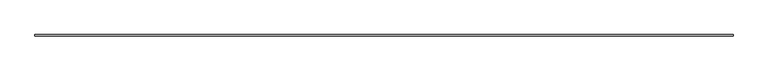
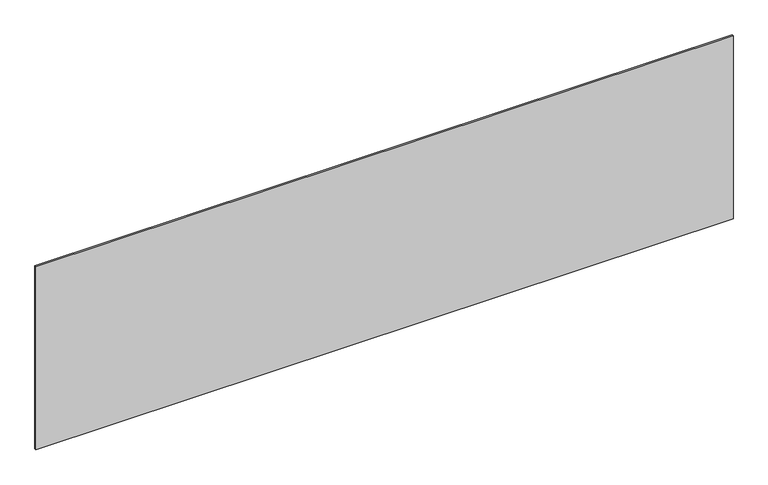
"""IFC4 building model written with IfcOpenShell, lengths in millimetres: plate geometry."""

import ifcopenshell
import ifcopenshell.guid

model = None  # the IFC model being written
_history = None  # IfcOwnerHistory: only IFC2X3 demands one
_inside = {}  # id of a spatial element -> (the spatial element, [elements in it])
_under = {}  # id of a project, library or spatial element -> (it, [spatial elements below it])
_declared = {}  # id of a project -> (the project, [libraries it declares])
_typed = {}  # id of a type object -> (the type object, [elements of that type])
_made_of = {}  # id of a material, layer set ... -> (it, [elements and type objects made of it])


def new_model(schema):
    """Start an empty IFC model of exactly this schema.

    Asked for "IFC4X3", IfcOpenShell would pick the latest addendum, in which some entities
    have other attributes; the version numbers below select the first issue.
    IFC2X3 requires an IfcOwnerHistory on every rooted entity: one is made here for all.
    """
    global model, _history
    if schema == "IFC4X3":
        model = ifcopenshell.file(schema_version=(4, 3, 0, 0))
    else:
        model = ifcopenshell.file(schema=schema)
    _inside.clear()
    _under.clear()
    _declared.clear()
    _typed.clear()
    _made_of.clear()
    _history = None
    if model.schema == "IFC2X3":
        org = make("IfcOrganization", Name="unknown")
        user = make(
            "IfcPersonAndOrganization",
            ThePerson=make("IfcPerson", FamilyName="unknown"),
            TheOrganization=org,
        )
        app = make(
            "IfcApplication",
            ApplicationDeveloper=org,
            Version="unknown",
            ApplicationFullName="unknown",
            ApplicationIdentifier="unknown",
        )
        _history = make(
            "IfcOwnerHistory",
            OwningUser=user,
            OwningApplication=app,
            ChangeAction="ADDED",
            CreationDate=0,
        )
    return model


def make(cls, **values):
    """One entity of the class cls with the attributes given. An attribute that is None is left unset."""
    return model.create_entity(
        cls, **{name: value for name, value in values.items() if value is not None}
    )


def rooted(cls, **values):
    """An entity with a GlobalId (a new one), such as an element, a storey or a relation."""
    return make(cls, GlobalId=ifcopenshell.guid.new(), OwnerHistory=_history, **values)


def si_unit(unit_type, name, prefix=None):
    """IfcSIUnit, for example si_unit("LENGTHUNIT", "METRE", prefix="MILLI")."""
    return make("IfcSIUnit", UnitType=unit_type, Prefix=prefix, Name=name)


def assignment(units):
    """IfcUnitAssignment: the units of a project."""
    return None if units is None else make("IfcUnitAssignment", Units=units)


def point(xyz):
    """IfcCartesianPoint."""
    return None if xyz is None else make("IfcCartesianPoint", Coordinates=xyz)


def direction(xyz):
    """IfcDirection."""
    return None if xyz is None else make("IfcDirection", DirectionRatios=xyz)


def frame(location, z_axis=None, x_axis=None):
    """IfcAxis2Placement3D, a coordinate frame: its origin and axes. An axis left out is left unset."""
    return make(
        "IfcAxis2Placement3D",
        Location=point(location),
        Axis=direction(z_axis),
        RefDirection=direction(x_axis),
    )


def origin():
    """The frame at (0, 0, 0) with its axes left unset."""
    return frame((0.0, 0.0, 0.0))


def origin_with_axes():
    """The frame at (0, 0, 0) with the z axis (0, 0, 1) and the x axis (1, 0, 0) written out."""
    return frame((0.0, 0.0, 0.0), z_axis=(0.0, 0.0, 1.0), x_axis=(1.0, 0.0, 0.0))


def place(relative_to, where):
    """IfcLocalPlacement: puts the frame where relative to a parent placement (None: the world)."""
    return make(
        "IfcLocalPlacement", PlacementRelTo=relative_to, RelativePlacement=where
    )


def context(
    kind, dimensions, precision=None, world=None, true_north=None, identifier=None
):
    """IfcGeometricRepresentationContext, for example the 3D "Model" context."""
    return make(
        "IfcGeometricRepresentationContext",
        ContextIdentifier=identifier,
        ContextType=kind,
        CoordinateSpaceDimension=dimensions,
        Precision=precision,
        WorldCoordinateSystem=world,
        TrueNorth=true_north,
    )


def project(units=None, contexts=None):
    """IfcProject with its units and contexts."""
    return rooted(
        "IfcProject",
        Name="project",
        RepresentationContexts=contexts,
        UnitsInContext=assignment(units),
    )


def spatial(cls, under=None, at=None, **own):
    """A site, building, storey or space (cls), placed at a placement, below another one or the project."""
    s = rooted(cls, ObjectPlacement=at, **own)
    if under is not None:
        _under.setdefault(under.id(), (under, []))[1].append(s)
    return s


def polyline(points):
    """IfcPolyline through the points."""
    return make("IfcPolyline", Points=[point(p) for p in points])


def outline(outer, holes=None, kind="AREA"):
    """IfcArbitraryClosedProfileDef: a profile drawn as a closed curve; with holes, ...WithVoids."""
    if holes is None:
        return make("IfcArbitraryClosedProfileDef", ProfileType=kind, OuterCurve=outer)
    return make(
        "IfcArbitraryProfileDefWithVoids",
        ProfileType=kind,
        OuterCurve=outer,
        InnerCurves=holes,
    )


def extrude(swept, where, along, depth):
    """IfcExtrudedAreaSolid: the profile swept, set in the frame where, extruded along a direction by depth."""
    return make(
        "IfcExtrudedAreaSolid",
        SweptArea=swept,
        Position=where,
        ExtrudedDirection=direction(along),
        Depth=depth,
    )


def shape(context_of_items, identifier, shape_type, items):
    """IfcShapeRepresentation: the items that make up one representation, for example the "Body"."""
    return make(
        "IfcShapeRepresentation",
        ContextOfItems=context_of_items,
        RepresentationIdentifier=identifier,
        RepresentationType=shape_type,
        Items=items,
    )


def source(mapping_origin, context_of_items, identifier, shape_type, items):
    """IfcRepresentationMap: a shape defined once, which mapped items show again and again."""
    return make(
        "IfcRepresentationMap",
        MappingOrigin=mapping_origin,
        MappedRepresentation=shape(context_of_items, identifier, shape_type, items),
    )


def transform(
    local_origin,
    x_axis=None,
    y_axis=None,
    z_axis=None,
    scale=None,
    scale2=None,
    scale3=None,
    uniform=True,
):
    """IfcCartesianTransformationOperator3D, or its non-uniform kind. x_axis, y_axis, z_axis: its Axis1, 2, 3."""
    if uniform:
        return make(
            "IfcCartesianTransformationOperator3D",
            Axis1=direction(x_axis),
            Axis2=direction(y_axis),
            LocalOrigin=point(local_origin),
            Scale=scale,
            Axis3=direction(z_axis),
        )
    return make(
        "IfcCartesianTransformationOperator3DnonUniform",
        Axis1=direction(x_axis),
        Axis2=direction(y_axis),
        LocalOrigin=point(local_origin),
        Scale=scale,
        Axis3=direction(z_axis),
        Scale2=scale2,
        Scale3=scale3,
    )


def mapped(mapping_source, mapping_target):
    """IfcMappedItem: shows the shape of a source again, moved by a transform."""
    return make(
        "IfcMappedItem", MappingSource=mapping_source, MappingTarget=mapping_target
    )


def made_of(thing, what):
    """Note that an element or type object is made of a material, layer set ...; save() writes the relation."""
    if what is not None:
        _made_of.setdefault(what.id(), (what, []))[1].append(thing)
    return thing


def element(
    cls,
    number,
    at=None,
    inside=None,
    cuts=None,
    type_object=None,
    material=None,
    context=None,
    identifier="Body",
    shape_type=None,
    held_by="IfcProductDefinitionShape",
    body=None,
    shapes=None,
    **own,
):
    """One element of the class cls, such as IfcWall. Its Tag is "e" and its number.

    at: its placement. inside: the storey or other place that contains it. cuts: it is an
    opening in that element (IfcRelVoidsElement). A single representation is given by context,
    identifier, shape_type and body (its items); several are given by shapes. held_by: the class
    of the entity that holds the representations. save() writes the other relations.
    """
    e = rooted(cls, Tag="e%d" % number, ObjectPlacement=at, **own)
    if body is not None:
        shapes = [shape(context, identifier, shape_type, body)]
    if shapes is not None:
        e.Representation = make(held_by, Representations=shapes)
    if inside is not None:
        _inside.setdefault(inside.id(), (inside, []))[1].append(e)
    if cuts is not None:
        rooted(
            "IfcRelVoidsElement", RelatingBuildingElement=cuts, RelatedOpeningElement=e
        )
    if type_object is not None:
        _typed.setdefault(type_object.id(), (type_object, []))[1].append(e)
    return made_of(e, material)


def aggregate(whole, parts):
    """IfcRelAggregates: a whole, such as a stair, and the parts it consists of."""
    return rooted("IfcRelAggregates", RelatingObject=whole, RelatedObjects=parts)


def save(model, path):
    """Write the relations noted so far, then the file.

    IfcRelAggregates (storeys below a building ...), IfcRelContainedInSpatialStructure (elements
    in a storey), IfcRelDefinesByType, IfcRelAssociatesMaterial and IfcRelDeclares: one each for
    every whole, place, type object, material and project.
    """
    for whole, parts in _under.values():
        aggregate(whole, parts)
    for where, things in _inside.values():
        rooted(
            "IfcRelContainedInSpatialStructure",
            RelatedElements=things,
            RelatingStructure=where,
        )
    for kind, things in _typed.values():
        rooted("IfcRelDefinesByType", RelatedObjects=things, RelatingType=kind)
    for what, things in _made_of.values():
        rooted("IfcRelAssociatesMaterial", RelatedObjects=things, RelatingMaterial=what)
    for by, libraries in _declared.values():
        rooted("IfcRelDeclares", RelatingContext=by, RelatedDefinitions=libraries)
    model.write(path)


def plate_27c09c2a(model_context):
    return source(origin(), model_context, "Body", "SweptSolid", [
        extrude(outline(polyline([(2281.6666667, -5.0), (-2281.6666667, -5.0), (-2281.6666667, 5.0), (2281.6666667, 5.0), (2281.6666667, -5.0)])), origin_with_axes(), (0.0, 0.0, 1.0), 1265.8860683),
    ])


if __name__ == "__main__":
    model = new_model("IFC4")
    model_context = context("Model", 3, world=origin())
    ifc_project = project(units=[si_unit("LENGTHUNIT", "METRE", prefix="MILLI")], contexts=[model_context])
    site = spatial("IfcSite", under=ifc_project)
    building = spatial("IfcBuilding", under=site)
    placement = place(None, origin())
    plate_shape = plate_27c09c2a(model_context)
    element("IfcPlate", 1, at=placement, inside=building, context=model_context, shape_type="MappedRepresentation", body=[
        mapped(plate_shape, transform((0.0, 0.0, 0.0), x_axis=(1.0, 0.0, 0.0), y_axis=(0.0, 1.0, 0.0), z_axis=(0.0, 0.0, 1.0))),
    ])
    save(model, "model.ifc")
